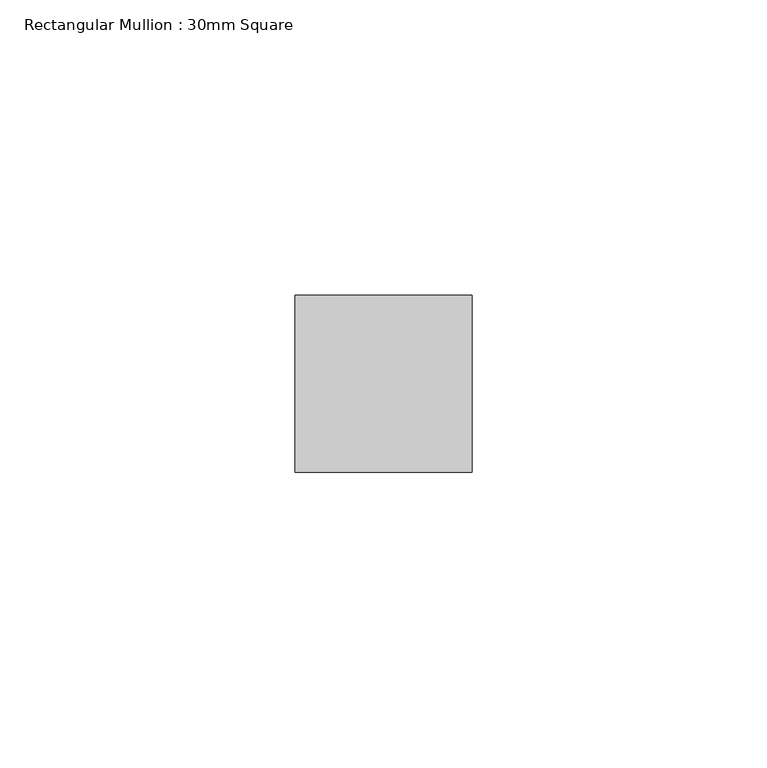
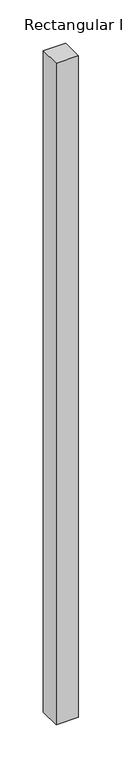
"""IFC4 building model written with IfcOpenShell, lengths in millimetres: member geometry, Rectangular Mullion : 30mm Square."""

from ifc_helpers import new_model, si_unit, frame, origin, place, context, project, spatial, polyline, outline, extrude, source, transform, mapped, element, save


def rectangular_mullion_30mm_square_9f0713eb(model_context):
    return source(origin(), model_context, "Body", "SweptSolid", [
        extrude(outline(polyline([(15.0, 15.0), (15.0, -15.0), (-15.0, -15.0), (-15.0, 15.0), (15.0, 15.0)])), frame((0.0, 0.0, -936.6666667), z_axis=(0.0, 0.0, 1.0), x_axis=(1.0, 0.0, 0.0)), (0.0, 0.0, 1.0), 936.6666667),
    ])


if __name__ == "__main__":
    model = new_model("IFC4")
    model_context = context("Model", 3, world=origin())
    ifc_project = project(units=[si_unit("LENGTHUNIT", "METRE", prefix="MILLI")], contexts=[model_context])
    site = spatial("IfcSite", under=ifc_project)
    building = spatial("IfcBuilding", under=site)
    placement = place(None, origin())
    rectangular_mullion_30mm_square_shape = rectangular_mullion_30mm_square_9f0713eb(model_context)
    element("IfcMember", 1, ObjectType="Rectangular Mullion : 30mm Square", at=placement, inside=building, context=model_context, shape_type="MappedRepresentation", body=[
        mapped(rectangular_mullion_30mm_square_shape, transform((0.0, 0.0, 0.0), x_axis=(1.0, 0.0, 0.0), y_axis=(0.0, 1.0, 0.0), z_axis=(0.0, 0.0, 1.0))),
    ])
    save(model, "model.ifc")
